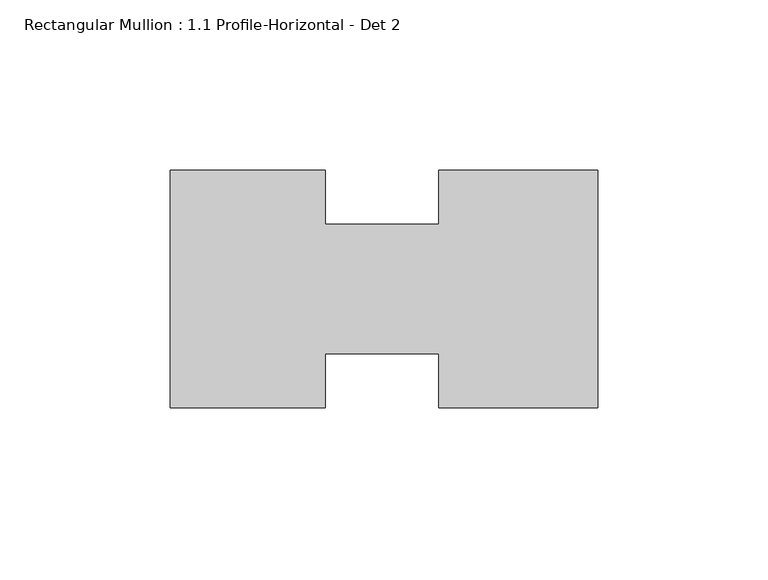
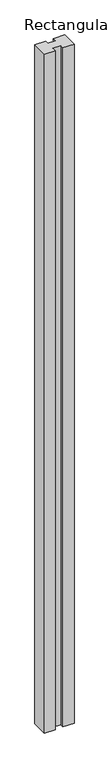
"""IFC4 building model written with IfcOpenShell, lengths in millimetres: member geometry, Rectangular Mullion : 1.1 Profile-Horizontal - Det 2."""

from ifc_helpers import new_model, si_unit, frame, origin, place, context, project, spatial, polyline, outline, extrude, source, transform, mapped, element, save


def rectangular_mullion_1_1_profile_horizontal_det_2_9b7cab07(model_context):
    return source(origin(), model_context, "Body", "SweptSolid", [
        extrude(outline(polyline([(-125.7808, 34.925), (-80.2012581, 34.925), (-80.2012581, 19.05), (-46.8513558, 19.05), (-46.8513558, 34.925), (0.0, 34.925), (0.0, -34.925), (-46.8637581, -34.925), (-46.8637581, -19.05), (-80.2022087, -19.05), (-80.2022087, -34.925), (-125.7808, -34.925), (-125.7808, 34.925)])), frame((0.0, 0.0, -3048.0), z_axis=(0.0, 0.0, 1.0), x_axis=(1.0, 0.0, 0.0)), (0.0, 0.0, 1.0), 3048.0),
    ])


if __name__ == "__main__":
    model = new_model("IFC4")
    model_context = context("Model", 3, world=origin())
    ifc_project = project(units=[si_unit("LENGTHUNIT", "METRE", prefix="MILLI")], contexts=[model_context])
    site = spatial("IfcSite", under=ifc_project)
    building = spatial("IfcBuilding", under=site)
    placement = place(None, origin())
    rectangular_mullion_1_1_profile_horizontal_det_2_shape = rectangular_mullion_1_1_profile_horizontal_det_2_9b7cab07(model_context)
    element("IfcMember", 1, ObjectType="Rectangular Mullion : 1.1 Profile-Horizontal - Det 2", at=placement, inside=building, context=model_context, shape_type="MappedRepresentation", body=[
        mapped(rectangular_mullion_1_1_profile_horizontal_det_2_shape, transform((0.0, 0.0, 0.0), x_axis=(1.0, 0.0, 0.0), y_axis=(0.0, 1.0, 0.0), z_axis=(0.0, 0.0, 1.0))),
    ])
    save(model, "model.ifc")
